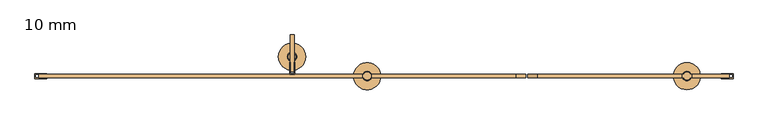
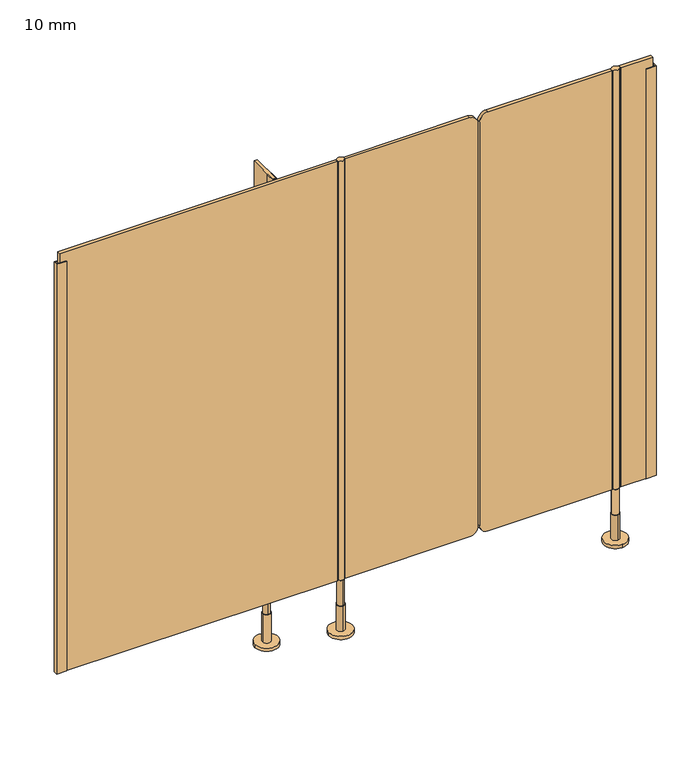
"""IFC4 building model written with IfcOpenShell, lengths in millimetres: door geometry, 10 mm."""

from ifc_helpers import new_model, si_unit, point, frame, frame_2d, origin, place, context, project, spatial, polyline, circle_curve, trimmed, segment, composite_curve, outline, extrude, source, transform, mapped, element, save
from ifc_brep_helpers import plane_surface, cylinder_surface, advanced_brep


def door_10_mm_b5563f63(model_context):
    return source(origin(), model_context, "Body", "SolidModel", [
        advanced_brep(
        [(791.0, -1295.0, 170.0), (771.0, -1295.0, 170.0), (771.0, -1295.0, 90.0), (791.0, -1295.0, 90.0), (781.0, -1283.0, 90.0), (781.0, -1307.0, 90.0), (781.0, -1283.0, 10.0), (781.0, -1307.0, 10.0), (781.0, -1260.0, 10.0), (781.0, -1330.0, 10.0), (781.0, -1260.0, 0.0), (781.0, -1330.0, 0.0)],
        [
            (0, 1, circle_curve(frame((781.0, -1295.0, 170.0), z_axis=(0.0, 0.0, 1.0), x_axis=(-1.0, 0.0, 0.0)), 10.0)),
            (1, 0, circle_curve(frame((781.0, -1295.0, 170.0), z_axis=(0.0, 0.0, 1.0), x_axis=(-1.0, 0.0, 0.0)), 10.0)),
            (1, 2),
            (2, 3, circle_curve(frame((781.0, -1295.0, 90.0), z_axis=(0.0, 0.0, 1.0), x_axis=(-1.0, 0.0, 0.0)), 10.0)),
            (3, 0),
            (3, 2, circle_curve(frame((781.0, -1295.0, 90.0), z_axis=(0.0, 0.0, 1.0), x_axis=(-1.0, 0.0, 0.0)), 10.0)),
            (4, 5, circle_curve(frame((781.0, -1295.0, 90.0), z_axis=(0.0, 0.0, 1.0), x_axis=(0.0, -1.0, 0.0)), 12.0)),
            (5, 4, circle_curve(frame((781.0, -1295.0, 90.0), z_axis=(0.0, 0.0, 1.0), x_axis=(0.0, -1.0, 0.0)), 12.0)),
            (4, 6),
            (6, 7, circle_curve(frame((781.0, -1295.0, 10.0), z_axis=(0.0, 0.0, 1.0), x_axis=(0.0, -1.0, 0.0)), 12.0)),
            (7, 5),
            (7, 6, circle_curve(frame((781.0, -1295.0, 10.0), z_axis=(0.0, 0.0, 1.0), x_axis=(0.0, -1.0, 0.0)), 12.0)),
            (8, 9, circle_curve(frame((781.0, -1295.0, 10.0), z_axis=(0.0, 0.0, 1.0), x_axis=(0.0, -1.0, 0.0)), 35.0)),
            (9, 8, circle_curve(frame((781.0, -1295.0, 10.0), z_axis=(0.0, 0.0, 1.0), x_axis=(0.0, -1.0, 0.0)), 35.0)),
            (10, 11, circle_curve(frame((781.0, -1295.0, 0.0), z_axis=(0.0, 0.0, -1.0), x_axis=(0.0, -1.0, 0.0)), 35.0)),
            (11, 10, circle_curve(frame((781.0, -1295.0, 0.0), z_axis=(0.0, 0.0, -1.0), x_axis=(0.0, -1.0, 0.0)), 35.0)),
            (8, 10),
            (11, 9),
        ],
        [
            plane_surface(frame((781.0, -1290.0, 170.0), z_axis=(0.0, 0.0, 1.0), x_axis=(0.0, -1.0, 0.0))),
            cylinder_surface(frame((781.0, -1295.0, 90.0), z_axis=(0.0, 0.0, -1.0), x_axis=(-1.0, 0.0, 0.0)), 10.0),
            plane_surface(frame((781.0, -1290.0, 90.0), z_axis=(0.0, 0.0, 1.0), x_axis=(0.0, -1.0, 0.0))),
            cylinder_surface(frame((781.0, -1295.0, 90.0), z_axis=(0.0, 0.0, 1.0), x_axis=(0.0, -1.0, 0.0)), 12.0),
            plane_surface(frame((781.0, -1290.0, 10.0), z_axis=(0.0, 0.0, 1.0), x_axis=(0.0, -1.0, 0.0))),
            plane_surface(frame((781.0, -1290.0, 0.0), z_axis=(0.0, 0.0, -1.0), x_axis=(0.0, -1.0, 0.0))),
            cylinder_surface(frame((781.0, -1295.0, 10.0), z_axis=(0.0, 0.0, 1.0), x_axis=(0.0, -1.0, 0.0)), 35.0),
        ],
        [
            (0, [[1, 2]]),
            (1, [[-2, 3, 4, 5]]),
            (1, [[-1, -5, 6, -3]]),
            (2, [[7, 8], [-4, -6]]),
            (3, [[-7, 9, 10, 11]]),
            (3, [[-8, -11, 12, -9]]),
            (4, [[13, 14], [-10, -12]]),
            (5, [[15, 16]]),
            (6, [[-13, 17, -16, 18]]),
            (6, [[-14, -18, -15, -17]]),
        ],
    ),
        advanced_brep(
        [(-43.5, -1305.0, 170.0), (-43.5, -1285.0, 170.0), (-43.5, -1285.0, 90.0), (-43.5, -1305.0, 90.0), (-43.5, -1283.0, 90.0), (-43.5, -1307.0, 90.0), (-43.5, -1283.0, 10.0), (-43.5, -1307.0, 10.0), (-8.5, -1295.0, 0.0), (-78.5, -1295.0, 0.0), (-8.5, -1295.0, 10.0), (-78.5, -1295.0, 10.0)],
        [
            (0, 1, circle_curve(frame((-43.5, -1295.0, 170.0), z_axis=(0.0, 0.0, -1.0), x_axis=(0.0, -1.0, 0.0)), 10.0)),
            (1, 2),
            (2, 3, circle_curve(frame((-43.5, -1295.0, 90.0), z_axis=(0.0, 0.0, 1.0), x_axis=(0.0, -1.0, 0.0)), 10.0)),
            (3, 0),
            (1, 0, circle_curve(frame((-43.5, -1295.0, 170.0), z_axis=(0.0, 0.0, -1.0), x_axis=(0.0, -1.0, 0.0)), 10.0)),
            (3, 2, circle_curve(frame((-43.5, -1295.0, 90.0), z_axis=(0.0, 0.0, 1.0), x_axis=(0.0, -1.0, 0.0)), 10.0)),
            (4, 5, circle_curve(frame((-43.5, -1295.0, 90.0), z_axis=(0.0, 0.0, 1.0), x_axis=(0.0, -1.0, 0.0)), 12.0)),
            (5, 4, circle_curve(frame((-43.5, -1295.0, 90.0), z_axis=(0.0, 0.0, 1.0), x_axis=(0.0, -1.0, 0.0)), 12.0)),
            (4, 6),
            (6, 7, circle_curve(frame((-43.5, -1295.0, 10.0), z_axis=(0.0, 0.0, 1.0), x_axis=(0.0, -1.0, 0.0)), 12.0)),
            (7, 5),
            (7, 6, circle_curve(frame((-43.5, -1295.0, 10.0), z_axis=(0.0, 0.0, 1.0), x_axis=(0.0, -1.0, 0.0)), 12.0)),
            (8, 9, circle_curve(frame((-43.5, -1295.0, 0.0), z_axis=(0.0, 0.0, -1.0), x_axis=(-1.0, 0.0, 0.0)), 35.0)),
            (9, 8, circle_curve(frame((-43.5, -1295.0, 0.0), z_axis=(0.0, 0.0, -1.0), x_axis=(-1.0, 0.0, 0.0)), 35.0)),
            (10, 11, circle_curve(frame((-43.5, -1295.0, 10.0), z_axis=(0.0, 0.0, 1.0), x_axis=(-1.0, 0.0, 0.0)), 35.0)),
            (11, 10, circle_curve(frame((-43.5, -1295.0, 10.0), z_axis=(0.0, 0.0, 1.0), x_axis=(-1.0, 0.0, 0.0)), 35.0)),
            (8, 10),
            (11, 9),
        ],
        [
            cylinder_surface(frame((-43.5, -1295.0, 170.0), z_axis=(0.0, 0.0, 1.0), x_axis=(0.0, -1.0, 0.0)), 10.0),
            plane_surface(frame((-43.5, -1290.0, 90.0), z_axis=(0.0, 0.0, 1.0), x_axis=(0.0, -1.0, 0.0))),
            cylinder_surface(frame((-43.5, -1295.0, 90.0), z_axis=(0.0, 0.0, 1.0), x_axis=(0.0, -1.0, 0.0)), 12.0),
            plane_surface(frame((-43.5, -1290.0, 0.0), z_axis=(0.0, 0.0, -1.0), x_axis=(0.0, -1.0, 0.0))),
            plane_surface(frame((-43.5, -1290.0, 10.0), z_axis=(0.0, 0.0, 1.0), x_axis=(0.0, -1.0, 0.0))),
            cylinder_surface(frame((-43.5, -1295.0, 0.0), z_axis=(0.0, 0.0, -1.0), x_axis=(-1.0, 0.0, 0.0)), 35.0),
            plane_surface(frame((-43.5, -1290.0, 170.0), z_axis=(0.0, 0.0, 1.0), x_axis=(0.0, -1.0, 0.0))),
        ],
        [
            (0, [[1, 2, 3, 4]]),
            (0, [[5, -4, 6, -2]]),
            (1, [[7, 8], [-3, -6]]),
            (2, [[-7, 9, 10, 11]]),
            (2, [[-8, -11, 12, -9]]),
            (3, [[13, 14]]),
            (4, [[15, 16], [-10, -12]]),
            (5, [[-13, 17, -16, 18]]),
            (5, [[-14, -18, -15, -17]]),
            (6, [[-1, -5]]),
        ],
    ),
        extrude(outline(composite_curve([segment(polyline([(170.0, 768.0), (1500.0, 768.0), (1500.0, 396.0002203)]), True, "CONTINUOUS"), segment(trimmed(circle_curve(frame_2d((1475.0, 396.0002203)), 25.0), [point((1500.0, 396.0002203))], [point((1475.0, 371.0002203))], False, "CARTESIAN"), True, "CONTINUOUS"), segment(polyline([(1475.0, 371.0002203), (195.0, 371.0002203)]), True, "CONTINUOUS"), segment(trimmed(circle_curve(frame_2d((195.0, 396.0002203)), 25.0), [point((195.0, 371.0002203))], [point((170.0, 396.0002203))], False, "CARTESIAN"), True, "CONTINUOUS"), segment(polyline([(170.0, 396.0002203), (170.0, 768.0)]), True, "CONTINUOUS")], self_intersect=False)), frame((0.0, -1300.0, 0.0), z_axis=(0.0, 1.0, 0.0), x_axis=(0.0, 0.0, 1.0)), (0.0, 0.0, 1.0), 10.0),
        extrude(outline(composite_curve([segment(polyline([(1500.0, -32.0), (170.0, -32.0), (170.0, 339.9997797)]), True, "CONTINUOUS"), segment(trimmed(circle_curve(frame_2d((195.0, 339.9997797)), 25.0), [point((170.0, 339.9997797))], [point((195.0, 364.9997797))], False, "CARTESIAN"), True, "CONTINUOUS"), segment(polyline([(195.0, 364.9997797), (1475.0, 364.9997797)]), True, "CONTINUOUS"), segment(trimmed(circle_curve(frame_2d((1475.0, 339.9997797)), 25.0), [point((1475.0, 364.9997797))], [point((1500.0, 339.9997797))], False, "CARTESIAN"), True, "CONTINUOUS"), segment(polyline([(1500.0, 339.9997797), (1500.0, -32.0)]), True, "CONTINUOUS")], self_intersect=False)), frame((0.0, -1300.0, 0.0), z_axis=(0.0, 1.0, 0.0), x_axis=(0.0, 0.0, 1.0)), (0.0, 0.0, 1.0), 10.0),
        advanced_brep(
        [(-52.160254, -1290.0, 170.0), (-34.839746, -1290.0, 170.0), (-32.0, -1290.0010631, 170.0), (-32.0, -1299.9989369, 170.0), (-34.8391323, -1299.9989369, 170.0), (-52.1608677, -1299.9989369, 170.0), (-55.0, -1299.9989369, 170.0), (-55.0, -1290.0010631, 170.0), (-34.839746, -1290.0, 1500.0), (-52.160254, -1290.0, 1500.0), (-55.0, -1290.0010631, 1500.0), (-55.0, -1299.9989369, 1500.0), (-52.1608677, -1299.9989369, 1500.0), (-34.8391323, -1299.9989369, 1500.0), (-32.0, -1299.9989369, 1500.0), (-32.0, -1290.0010631, 1500.0)],
        [
            (0, 1, circle_curve(frame((-43.5, -1295.0, 170.0), z_axis=(0.0, 0.0, -1.0), x_axis=(-1.0, 0.0, 0.0)), 10.0)),
            (1, 2),
            (2, 3),
            (3, 4),
            (4, 5, circle_curve(frame((-43.5, -1295.0, 170.0), z_axis=(0.0, 0.0, -1.0), x_axis=(-1.0, 0.0, 0.0)), 10.0)),
            (5, 6),
            (6, 7),
            (7, 0),
            (8, 9, circle_curve(frame((-43.5, -1295.0, 1500.0), z_axis=(0.0, 0.0, 1.0), x_axis=(-1.0, 0.0, 0.0)), 10.0)),
            (9, 10),
            (10, 11),
            (11, 12),
            (12, 13, circle_curve(frame((-43.5, -1295.0, 1500.0), z_axis=(0.0, 0.0, 1.0), x_axis=(-1.0, 0.0, 0.0)), 10.0)),
            (13, 14),
            (14, 15),
            (15, 8),
            (0, 9),
            (8, 1),
            (4, 13),
            (12, 5),
            (7, 10),
            (15, 2),
            (14, 3),
            (11, 6),
        ],
        [
            plane_surface(frame((-37.2598646, -1290.0, 170.0), z_axis=(0.0, 0.0, -1.0), x_axis=(0.0, -1.0, 0.0))),
            plane_surface(frame((-37.2598646, -1290.0, 1500.0), z_axis=(0.0, 0.0, 1.0), x_axis=(0.0, -1.0, 0.0))),
            cylinder_surface(frame((-43.5, -1295.0, 170.0), z_axis=(0.0, 0.0, -1.0), x_axis=(-1.0, 0.0, 0.0)), 10.0),
            plane_surface(frame((-55.0, -1290.0010631, 170.0), z_axis=(0.0, 1.0, 0.0), x_axis=(0.0, 0.0, 1.0))),
            plane_surface(frame((-32.0, -1290.0010631, 170.0), z_axis=(1.0, 0.0, 0.0), x_axis=(0.0, 0.0, 1.0))),
            plane_surface(frame((-32.0, -1299.9989369, 170.0), z_axis=(0.0, -1.0, 0.0), x_axis=(0.0, 0.0, 1.0))),
            plane_surface(frame((-55.0, -1299.9989369, 170.0), z_axis=(-1.0, 0.0, 0.0), x_axis=(0.0, 0.0, 1.0))),
        ],
        [
            (0, [[1, 2, 3, 4, 5, 6, 7, 8]]),
            (1, [[9, 10, 11, 12, 13, 14, 15, 16]]),
            (2, [[-1, 17, -9, 18]]),
            (2, [[-5, 19, -13, 20]]),
            (3, [[21, -10, -17, -8]]),
            (3, [[22, -2, -18, -16]]),
            (4, [[-3, -22, -15, 23]]),
            (5, [[-23, -14, -19, -4]]),
            (5, [[24, -6, -20, -12]]),
            (6, [[-7, -24, -11, -21]]),
        ],
    ),
        extrude(outline(composite_curve([segment(trimmed(circle_curve(frame_2d((781.0, -1295.0)), 10.0), [point((789.6608677, -1299.9989369))], [point((772.3391323, -1299.9989369))], False, "CARTESIAN"), True, "CONTINUOUS"), segment(polyline([(772.3391323, -1299.9989369), (768.0, -1299.9989369), (768.0, -1290.0010631), (772.3391323, -1290.0010631)]), True, "CONTINUOUS"), segment(trimmed(circle_curve(frame_2d((781.0, -1295.0)), 10.0), [point((772.3391323, -1290.0010631))], [point((789.6608677, -1290.0010631))], False, "CARTESIAN"), True, "CONTINUOUS"), segment(polyline([(789.6608677, -1290.0010631), (794.0, -1290.0010631), (794.0, -1299.9989369), (789.6608677, -1299.9989369)]), True, "CONTINUOUS")], self_intersect=False)), frame((0.0, 0.0, 170.0), z_axis=(0.0, 0.0, 1.0), x_axis=(1.0, 0.0, 0.0)), (0.0, 0.0, 1.0), 1330.0),
        extrude(outline(polyline([(-230.5, -1290.0), (-243.5, -1290.0), (-243.5, -1260.0), (-242.0, -1260.0), (-242.0, -1288.5), (-232.0, -1288.5), (-232.0, -1260.0), (-230.5, -1260.0), (-230.5, -1290.0)])), frame((0.0, 0.0, 170.0), z_axis=(0.0, 0.0, 1.0), x_axis=(1.0, 0.0, 0.0)), (0.0, 0.0, 1.0), 1330.0),
        extrude(outline(polyline([(-242.0, -1284.0), (-242.0, -1189.0), (-232.0, -1189.0), (-232.0, -1284.0), (-242.0, -1284.0)])), frame((0.0, 0.0, 170.0), z_axis=(0.0, 0.0, 1.0), x_axis=(1.0, 0.0, 0.0)), (0.0, 0.0, 1.0), 1330.0),
        extrude(outline(polyline([(900.0, -1301.5), (870.0, -1301.5), (870.0, -1300.0), (898.5, -1300.0), (898.5, -1290.0), (870.0, -1290.0), (870.0, -1288.5), (900.0, -1288.5), (900.0, -1301.5)])), frame((0.0, 0.0, 170.0), z_axis=(0.0, 0.0, 1.0), x_axis=(1.0, 0.0, 0.0)), (0.0, 0.0, 1.0), 1300.0),
        extrude(outline(polyline([(-900.0, -1288.5), (-870.0, -1288.5), (-870.0, -1290.0), (-898.5, -1290.0), (-898.5, -1300.0), (-870.0, -1300.0), (-870.0, -1301.5), (-900.0, -1301.5), (-900.0, -1288.5)])), frame((0.0, 0.0, 170.0), z_axis=(0.0, 0.0, 1.0), x_axis=(1.0, 0.0, 0.0)), (0.0, 0.0, 1.0), 1300.0),
        extrude(outline(polyline([(794.0, -1290.0), (890.0, -1290.0), (890.0, -1300.0), (794.0, -1300.0), (794.0, -1290.0)])), frame((0.0, 0.0, 170.0), z_axis=(0.0, 0.0, 1.0), x_axis=(1.0, 0.0, 0.0)), (0.0, 0.0, 1.0), 1330.0),
        extrude(outline(polyline([(-55.0, -1290.0), (-55.0, -1300.0), (-890.0, -1300.0), (-890.0, -1290.0), (-55.0, -1290.0)])), frame((0.0, 0.0, 170.0), z_axis=(0.0, 0.0, 1.0), x_axis=(1.0, 0.0, 0.0)), (0.0, 0.0, 1.0), 1330.0),
        advanced_brep(
        [(-249.0, -1245.0, 100.0), (-225.0, -1245.0, 100.0), (-237.0, -1235.0, 100.0), (-237.0, -1255.0, 100.0), (-225.0, -1245.0, 10.0), (-249.0, -1245.0, 10.0), (-237.0, -1255.0, 170.0), (-237.0, -1235.0, 170.0), (-272.0, -1245.0, 0.0), (-202.0, -1245.0, 0.0), (-272.0, -1245.0, 10.0), (-202.0, -1245.0, 10.0)],
        [
            (0, 1, circle_curve(frame((-237.0, -1245.0, 100.0), z_axis=(0.0, 0.0, 1.0), x_axis=(1.0, 0.0, 0.0)), 12.0)),
            (1, 0, circle_curve(frame((-237.0, -1245.0, 100.0), z_axis=(0.0, 0.0, 1.0), x_axis=(1.0, 0.0, 0.0)), 12.0)),
            (2, 3, circle_curve(frame((-237.0, -1245.0, 100.0), z_axis=(0.0, 0.0, -1.0), x_axis=(0.0, 1.0, 0.0)), 10.0)),
            (3, 2, circle_curve(frame((-237.0, -1245.0, 100.0), z_axis=(0.0, 0.0, -1.0), x_axis=(0.0, 1.0, 0.0)), 10.0)),
            (1, 4),
            (4, 5, circle_curve(frame((-237.0, -1245.0, 10.0), z_axis=(0.0, 0.0, 1.0), x_axis=(1.0, 0.0, 0.0)), 12.0)),
            (5, 0),
            (5, 4, circle_curve(frame((-237.0, -1245.0, 10.0), z_axis=(0.0, 0.0, 1.0), x_axis=(1.0, 0.0, 0.0)), 12.0)),
            (6, 7, circle_curve(frame((-237.0, -1245.0, 170.0), z_axis=(0.0, 0.0, 1.0), x_axis=(0.0, 1.0, 0.0)), 10.0)),
            (7, 6, circle_curve(frame((-237.0, -1245.0, 170.0), z_axis=(0.0, 0.0, 1.0), x_axis=(0.0, 1.0, 0.0)), 10.0)),
            (6, 3),
            (2, 7),
            (8, 9, circle_curve(frame((-237.0, -1245.0, 0.0), z_axis=(0.0, 0.0, -1.0), x_axis=(1.0, 0.0, 0.0)), 35.0)),
            (9, 8, circle_curve(frame((-237.0, -1245.0, 0.0), z_axis=(0.0, 0.0, -1.0), x_axis=(1.0, 0.0, 0.0)), 35.0)),
            (10, 11, circle_curve(frame((-237.0, -1245.0, 10.0), z_axis=(0.0, 0.0, 1.0), x_axis=(1.0, 0.0, 0.0)), 35.0)),
            (11, 10, circle_curve(frame((-237.0, -1245.0, 10.0), z_axis=(0.0, 0.0, 1.0), x_axis=(1.0, 0.0, 0.0)), 35.0)),
            (8, 10),
            (11, 9),
        ],
        [
            plane_surface(frame((-237.0, -1295.0, 100.0), z_axis=(0.0, 0.0, 1.0), x_axis=(0.0, 1.0, 0.0))),
            cylinder_surface(frame((-237.0, -1245.0, 10.0), z_axis=(0.0, 0.0, -1.0), x_axis=(1.0, 0.0, 0.0)), 12.0),
            plane_surface(frame((-237.0, -1295.0, 170.0), z_axis=(0.0, 0.0, 1.0), x_axis=(0.0, 1.0, 0.0))),
            cylinder_surface(frame((-237.0, -1245.0, 170.0), z_axis=(0.0, 0.0, 1.0), x_axis=(0.0, 1.0, 0.0)), 10.0),
            plane_surface(frame((-237.0, -1295.0, 0.0), z_axis=(0.0, 0.0, -1.0), x_axis=(0.0, 1.0, 0.0))),
            plane_surface(frame((-237.0, -1295.0, 10.0), z_axis=(0.0, 0.0, 1.0), x_axis=(0.0, 1.0, 0.0))),
            cylinder_surface(frame((-237.0, -1245.0, 0.0), z_axis=(0.0, 0.0, -1.0), x_axis=(1.0, 0.0, 0.0)), 35.0),
        ],
        [
            (0, [[1, 2], [3, 4]]),
            (1, [[-2, 5, 6, 7]]),
            (1, [[-1, -7, 8, -5]]),
            (2, [[9, 10]]),
            (3, [[-9, 11, -3, 12]]),
            (3, [[-10, -12, -4, -11]]),
            (4, [[13, 14]]),
            (5, [[15, 16], [-6, -8]]),
            (6, [[-13, 17, -16, 18]]),
            (6, [[-14, -18, -15, -17]]),
        ],
    ),
    ])


if __name__ == "__main__":
    model = new_model("IFC4")
    model_context = context("Model", 3, world=origin())
    ifc_project = project(units=[si_unit("LENGTHUNIT", "METRE", prefix="MILLI")], contexts=[model_context])
    site = spatial("IfcSite", under=ifc_project)
    building = spatial("IfcBuilding", under=site)
    placement = place(None, origin())
    door_10_mm_shape = door_10_mm_b5563f63(model_context)
    element("IfcDoor", 1, ObjectType="10 mm", at=placement, inside=building, context=model_context, shape_type="MappedRepresentation", body=[
        mapped(door_10_mm_shape, transform((0.0, 0.0, 0.0), x_axis=(1.0, 0.0, 0.0), y_axis=(0.0, 1.0, 0.0), z_axis=(0.0, 0.0, 1.0))),
    ])
    save(model, "model.ifc")
